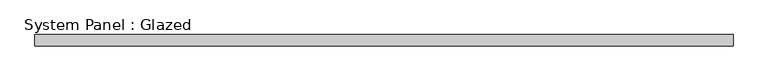
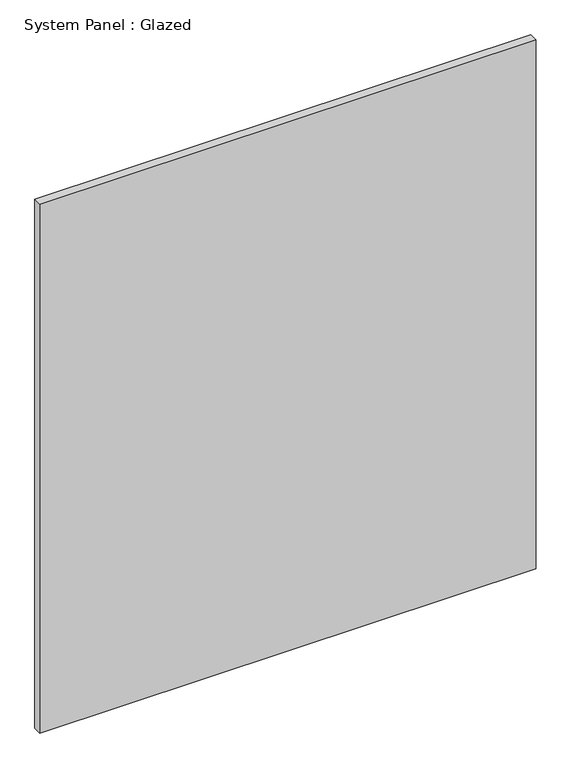
"""IFC4 building model written with IfcOpenShell, lengths in millimetres: plate geometry, System Panel : Glazed."""

from ifc_helpers import new_model, si_unit, origin, origin_with_axes, place, context, project, spatial, polyline, outline, extrude, source, transform, mapped, element, save


def system_panel_glazed_7d5f365c(model_context):
    return source(origin(), model_context, "Body", "SweptSolid", [
        extrude(outline(polyline([(756.7501169, 24.5), (-756.7501169, 24.5), (-756.7501169, 49.5), (756.7501169, 49.5), (756.7501169, 24.5)])), origin_with_axes(), (0.0, 0.0, 1.0), 1705.0),
    ])


if __name__ == "__main__":
    model = new_model("IFC4")
    model_context = context("Model", 3, world=origin())
    ifc_project = project(units=[si_unit("LENGTHUNIT", "METRE", prefix="MILLI")], contexts=[model_context])
    site = spatial("IfcSite", under=ifc_project)
    building = spatial("IfcBuilding", under=site)
    placement = place(None, origin())
    system_panel_glazed_shape = system_panel_glazed_7d5f365c(model_context)
    element("IfcPlate", 1, ObjectType="System Panel : Glazed", at=placement, inside=building, context=model_context, shape_type="MappedRepresentation", body=[
        mapped(system_panel_glazed_shape, transform((0.0, 0.0, 0.0), x_axis=(1.0, 0.0, 0.0), y_axis=(0.0, 1.0, 0.0), z_axis=(0.0, 0.0, 1.0))),
    ])
    save(model, "model.ifc")
